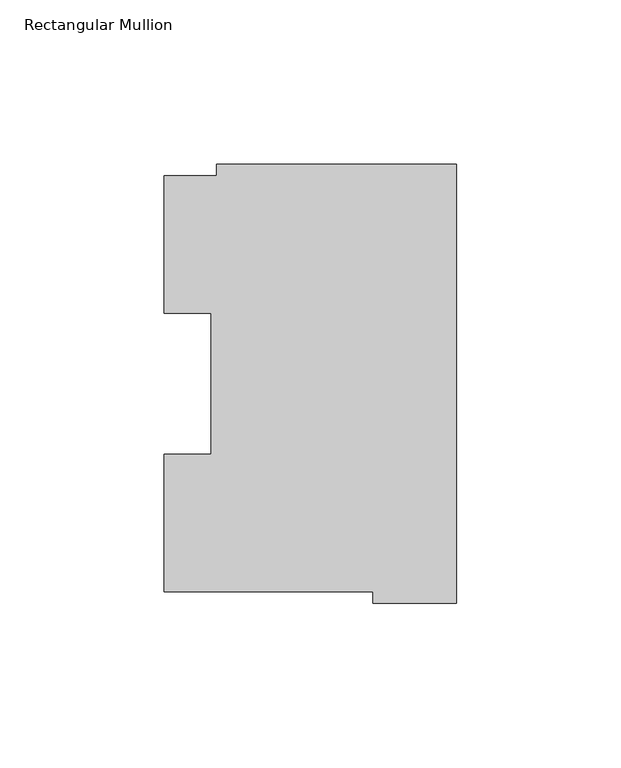
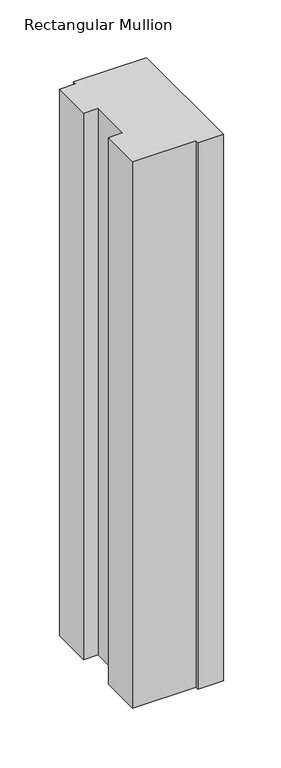
"""IFC4 building model written with IfcOpenShell, lengths in millimetres: member geometry, Rectangular Mullion."""

from ifc_helpers import new_model, si_unit, frame, origin, place, context, project, spatial, polyline, outline, extrude, source, transform, mapped, element, save


def rectangular_mullion_6aeeec41(model_context):
    return source(origin(), model_context, "Body", "SweptSolid", [
        extrude(outline(polyline([(-72.9776553, 129.8730275), (0.0, 129.8730275), (0.0, -3.4911943), (-25.3822228, -3.4911943), (-25.3822228, -0.0373063), (-88.8822228, -0.0373063), (-88.8822228, 41.7508474), (-74.5923808, 41.7508474), (-74.5923808, 84.6335937), (-88.8822228, 84.6335937), (-88.8822228, 126.4546938), (-72.9776553, 126.4546938), (-72.9776553, 129.8730275)])), frame((0.0, 0.0, -577.85), z_axis=(0.0, 0.0, 1.0), x_axis=(1.0, 0.0, 0.0)), (0.0, 0.0, 1.0), 577.85),
    ])


if __name__ == "__main__":
    model = new_model("IFC4")
    model_context = context("Model", 3, world=origin())
    ifc_project = project(units=[si_unit("LENGTHUNIT", "METRE", prefix="MILLI")], contexts=[model_context])
    site = spatial("IfcSite", under=ifc_project)
    building = spatial("IfcBuilding", under=site)
    placement = place(None, origin())
    rectangular_mullion_shape = rectangular_mullion_6aeeec41(model_context)
    element("IfcMember", 1, ObjectType="Rectangular Mullion", at=placement, inside=building, context=model_context, shape_type="MappedRepresentation", body=[
        mapped(rectangular_mullion_shape, transform((0.0, 0.0, 0.0), x_axis=(1.0, 0.0, 0.0), y_axis=(0.0, 1.0, 0.0), z_axis=(0.0, 0.0, 1.0))),
    ])
    save(model, "model.ifc")
